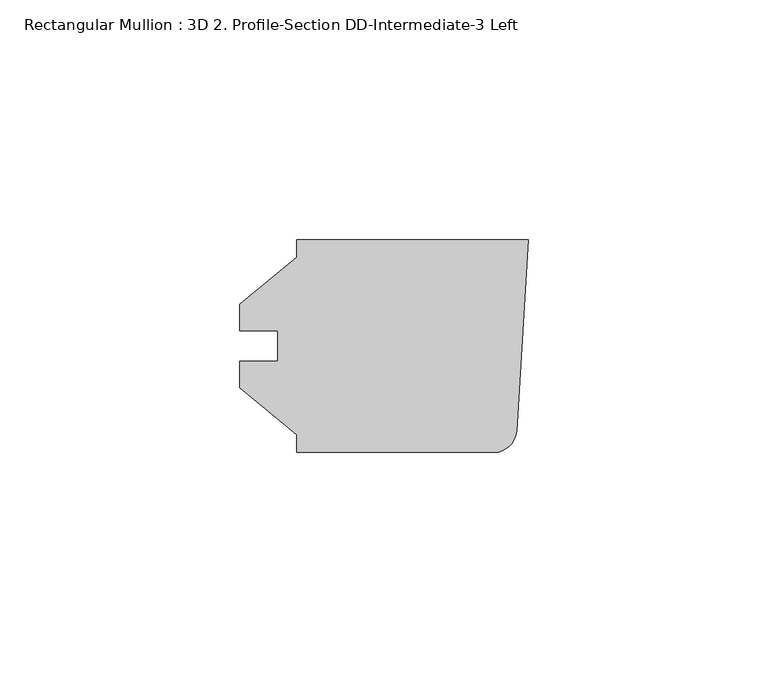
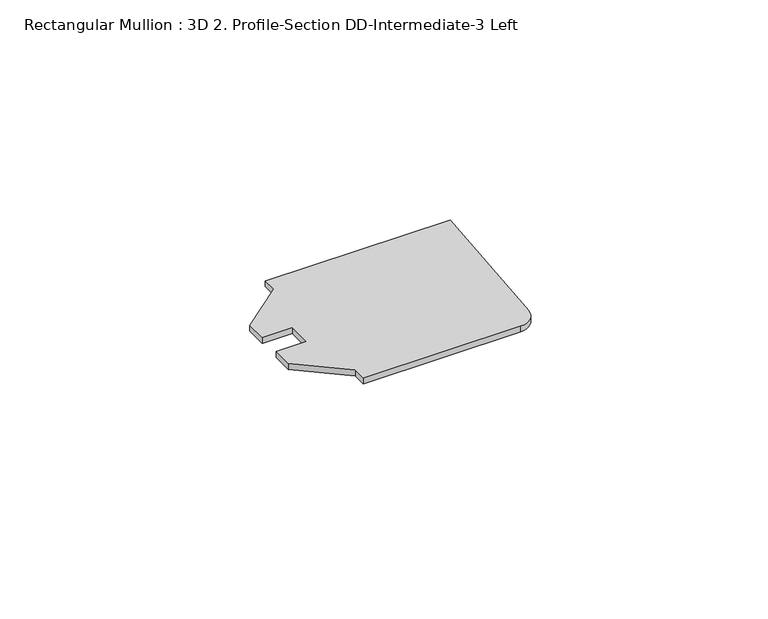
"""IFC4 building model written with IfcOpenShell, lengths in millimetres: member geometry, Rectangular Mullion : 3D 2. Profile-Section DD-Intermediate-3 Left."""

from ifc_helpers import new_model, si_unit, point, frame, frame_2d, origin, place, context, project, spatial, polyline, circle_curve, trimmed, segment, composite_curve, outline, extrude, source, transform, mapped, element, save


def rectangular_mullion_3d_2_profile_section_dd_intermediate_3_802cd730(model_context):
    return source(origin(), model_context, "Body", "SweptSolid", [
        extrude(outline(composite_curve([segment(polyline([(-48.4124, 22.225), (0.0, 22.225), (-2.4997803, -17.7714844)]), True, "CONTINUOUS"), segment(trimmed(circle_curve(frame_2d((-7.2403304, -17.4752)), 4.7498), [point((-2.4997803, -17.7714844))], [point((-7.2403304, -22.225))], False, "CARTESIAN"), True, "CONTINUOUS"), segment(polyline([(-7.2403304, -22.225), (-48.4124, -22.225), (-48.4124, -18.518836), (-60.31865, -8.7503), (-60.31865, -3.175), (-52.3748, -3.175), (-52.3748, 3.175), (-60.31865, 3.175), (-60.31865, 8.7503), (-48.4124, 18.518836), (-48.4124, 22.225)]), True, "CONTINUOUS")], self_intersect=False)), frame((0.0, 0.0, -1.590675), z_axis=(0.0, 0.0, 1.0), x_axis=(1.0, 0.0, 0.0)), (0.0, 0.0, 1.0), 1.590675),
    ])


if __name__ == "__main__":
    model = new_model("IFC4")
    model_context = context("Model", 3, world=origin())
    ifc_project = project(units=[si_unit("LENGTHUNIT", "METRE", prefix="MILLI")], contexts=[model_context])
    site = spatial("IfcSite", under=ifc_project)
    building = spatial("IfcBuilding", under=site)
    placement = place(None, origin())
    rectangular_mullion_3d_2_profile_section_dd_intermediate_3_shape = rectangular_mullion_3d_2_profile_section_dd_intermediate_3_802cd730(model_context)
    element("IfcMember", 1, ObjectType="Rectangular Mullion : 3D 2. Profile-Section DD-Intermediate-3 Left", at=placement, inside=building, context=model_context, shape_type="MappedRepresentation", body=[
        mapped(rectangular_mullion_3d_2_profile_section_dd_intermediate_3_shape, transform((0.0, 0.0, 0.0), x_axis=(1.0, 0.0, 0.0), y_axis=(0.0, 1.0, 0.0), z_axis=(0.0, 0.0, 1.0))),
    ])
    save(model, "model.ifc")
